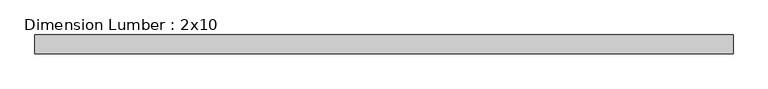
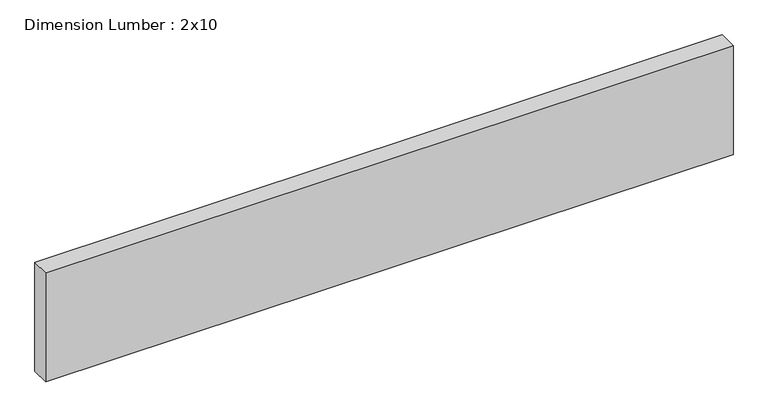
"""IFC4 building model written with IfcOpenShell, lengths in millimetres: beam geometry, Dimension Lumber : 2x10."""

from ifc_helpers import new_model, si_unit, frame, origin, place, context, project, spatial, polyline, outline, extrude, source, transform, mapped, element, save


def dimension_lumber_2x10_ad5a865d(model_context):
    return source(origin(), model_context, "Body", "SweptSolid", [
        extrude(outline(polyline([(700.8238566, 19.05), (700.8238566, -19.05), (-700.8238566, -19.05), (-700.8238566, 19.05), (700.8238566, 19.05)])), frame((0.0, 0.0, -117.475), z_axis=(0.0, 0.0, 1.0), x_axis=(1.0, 0.0, 0.0)), (0.0, 0.0, 1.0), 234.95),
    ])


if __name__ == "__main__":
    model = new_model("IFC4")
    model_context = context("Model", 3, world=origin())
    ifc_project = project(units=[si_unit("LENGTHUNIT", "METRE", prefix="MILLI")], contexts=[model_context])
    site = spatial("IfcSite", under=ifc_project)
    building = spatial("IfcBuilding", under=site)
    placement = place(None, origin())
    dimension_lumber_2x10_shape = dimension_lumber_2x10_ad5a865d(model_context)
    element("IfcBeam", 1, ObjectType="Dimension Lumber : 2x10", at=placement, inside=building, context=model_context, shape_type="MappedRepresentation", body=[
        mapped(dimension_lumber_2x10_shape, transform((0.0, 0.0, 0.0), x_axis=(1.0, 0.0, 0.0), y_axis=(0.0, 1.0, 0.0), z_axis=(0.0, 0.0, 1.0))),
    ])
    save(model, "model.ifc")
